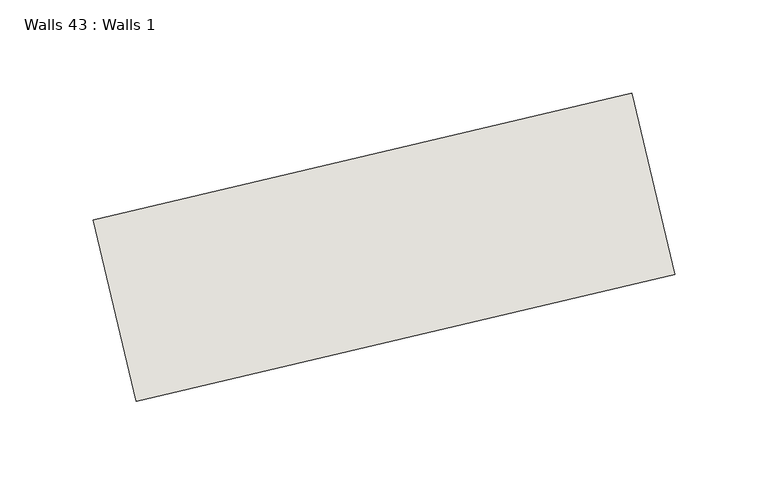
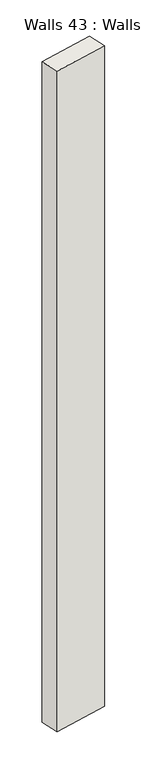
"""IFC4 building model written with IfcOpenShell, lengths in millimetres: wall geometry, Walls 43 : Walls 1."""

from ifc_helpers import new_model, si_unit, origin, origin_with_axes, place, context, project, spatial, polyline, outline, extrude, source, transform, mapped, element, save


def walls_43_walls_1_e175870b(model_context):
    return source(origin(), model_context, "Body", "SweptSolid", [
        extrude(outline(polyline([(12307.3137341, -4302.0270754), (12596.105691, -4233.8570971), (12619.079529, -4331.1823393), (12330.2875722, -4399.3523176), (12307.3137341, -4302.0270754)])), origin_with_axes(), (0.0, 0.0, 1.0), 3671.2063858),
    ])


if __name__ == "__main__":
    model = new_model("IFC4")
    model_context = context("Model", 3, world=origin())
    ifc_project = project(units=[si_unit("LENGTHUNIT", "METRE", prefix="MILLI")], contexts=[model_context])
    site = spatial("IfcSite", under=ifc_project)
    building = spatial("IfcBuilding", under=site)
    placement = place(None, origin())
    walls_43_walls_1_shape = walls_43_walls_1_e175870b(model_context)
    element("IfcWall", 1, ObjectType="Walls 43 : Walls 1", at=placement, inside=building, context=model_context, shape_type="MappedRepresentation", body=[
        mapped(walls_43_walls_1_shape, transform((0.0, 0.0, 0.0), x_axis=(1.0, 0.0, 0.0), y_axis=(0.0, 1.0, 0.0), z_axis=(0.0, 0.0, 1.0))),
    ])
    save(model, "model.ifc")
